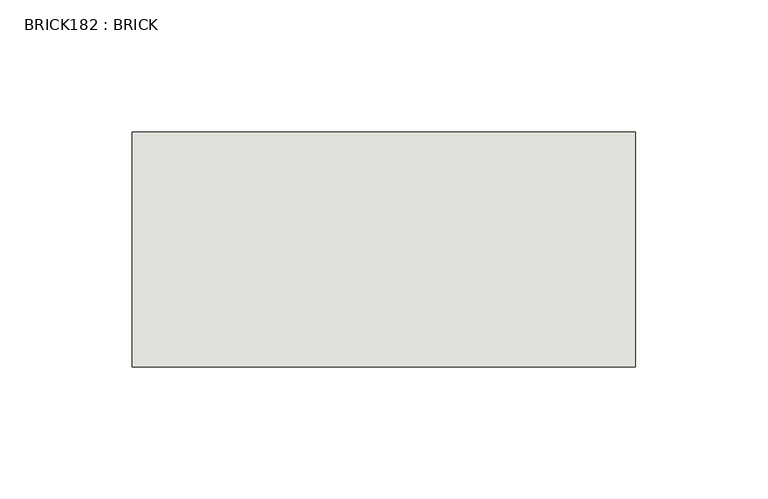
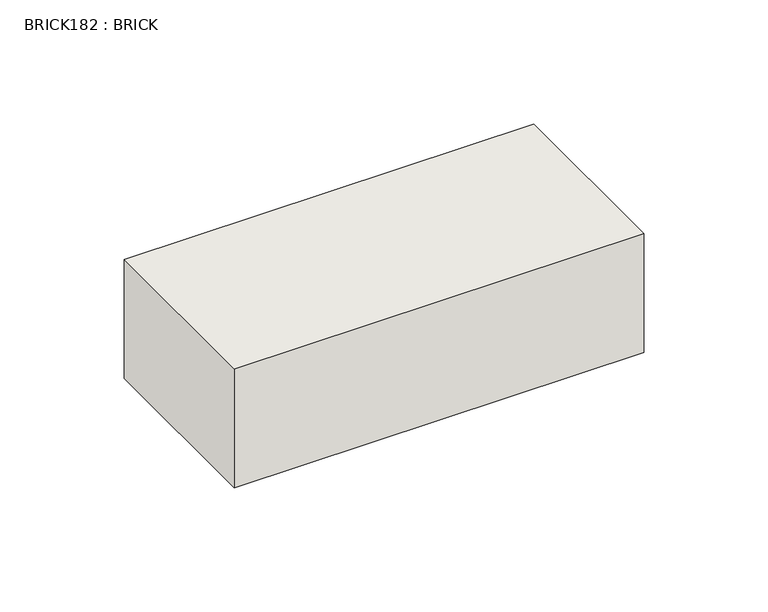
"""IFC4 building model written with IfcOpenShell, lengths in millimetres: wall geometry, BRICK182 : BRICK."""

from ifc_helpers import new_model, si_unit, frame, origin, place, context, project, spatial, polyline, outline, extrude, source, transform, mapped, element, save


def brick182_brick_8c1f882f(model_context):
    return source(origin(), model_context, "Body", "SweptSolid", [
        extrude(outline(polyline([(-261.8574357, 3062.3923312), (-71.3574357, 3062.3923312), (-71.3574357, 2973.4923312), (-261.8574357, 2973.4923312), (-261.8574357, 3062.3923312)])), frame((0.0, 0.0, 283.5671875), z_axis=(0.0, 0.0, 1.0), x_axis=(1.0, 0.0, 0.0)), (0.0, 0.0, 1.0), 58.4398437),
    ])


if __name__ == "__main__":
    model = new_model("IFC4")
    model_context = context("Model", 3, world=origin())
    ifc_project = project(units=[si_unit("LENGTHUNIT", "METRE", prefix="MILLI")], contexts=[model_context])
    site = spatial("IfcSite", under=ifc_project)
    building = spatial("IfcBuilding", under=site)
    placement = place(None, origin())
    brick182_brick_shape = brick182_brick_8c1f882f(model_context)
    element("IfcWall", 1, ObjectType="BRICK182 : BRICK", at=placement, inside=building, context=model_context, shape_type="MappedRepresentation", body=[
        mapped(brick182_brick_shape, transform((0.0, 0.0, 0.0), x_axis=(1.0, 0.0, 0.0), y_axis=(0.0, 1.0, 0.0), z_axis=(0.0, 0.0, 1.0))),
    ])
    save(model, "model.ifc")
